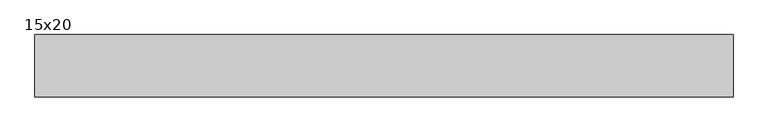
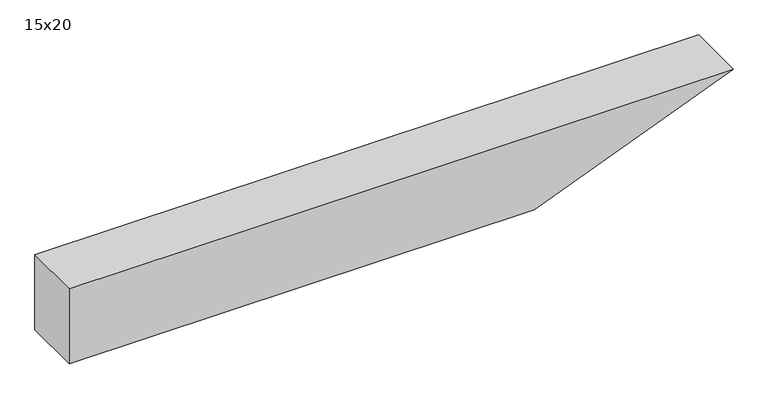
"""IFC4 building model written with IfcOpenShell, lengths in millimetres: beam geometry, 15x20."""

from ifc_helpers import new_model, si_unit, frame, origin, place, context, project, spatial, polyline, outline, extrude, source, transform, mapped, element, save


def beam_15x20_a49beba6(model_context):
    return source(origin(), model_context, "Body", "SweptSolid", [
        extrude(outline(polyline([(100.0, -727.5), (-100.0, -727.5), (-100.0, 445.3), (100.0, 947.5), (100.0, -727.5)])), frame((0.0, -75.0, 0.0), z_axis=(0.0, 1.0, 0.0), x_axis=(0.0, 0.0, 1.0)), (0.0, 0.0, 1.0), 150.0),
    ])


if __name__ == "__main__":
    model = new_model("IFC4")
    model_context = context("Model", 3, world=origin())
    ifc_project = project(units=[si_unit("LENGTHUNIT", "METRE", prefix="MILLI")], contexts=[model_context])
    site = spatial("IfcSite", under=ifc_project)
    building = spatial("IfcBuilding", under=site)
    placement = place(None, origin())
    beam_15x20_shape = beam_15x20_a49beba6(model_context)
    element("IfcBeam", 1, ObjectType="15x20", at=placement, inside=building, context=model_context, shape_type="MappedRepresentation", body=[
        mapped(beam_15x20_shape, transform((0.0, 0.0, 0.0), x_axis=(1.0, 0.0, 0.0), y_axis=(0.0, 1.0, 0.0), z_axis=(0.0, 0.0, 1.0))),
    ])
    save(model, "model.ifc")
